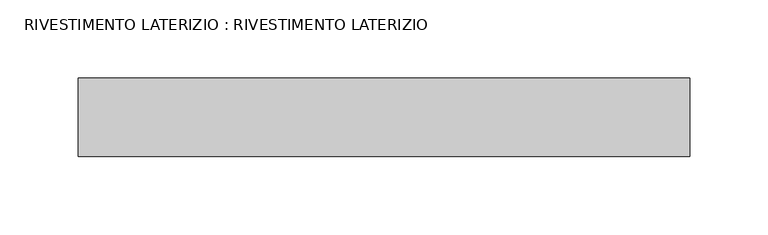
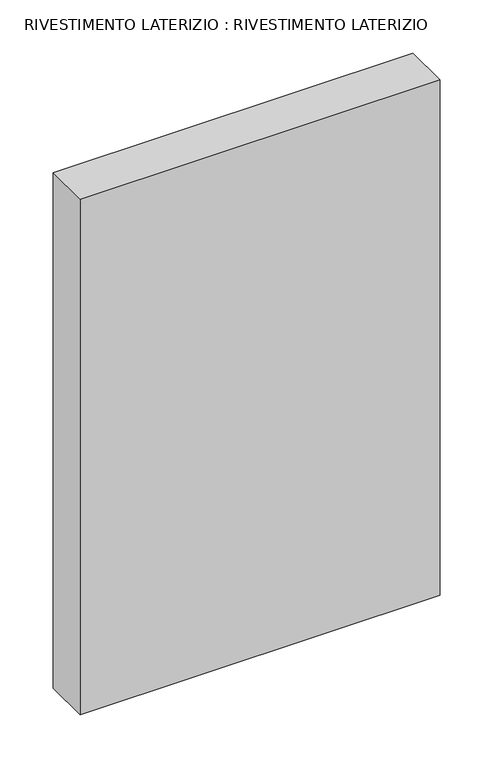
"""IFC4 building model written with IfcOpenShell, lengths in millimetres: plate geometry, RIVESTIMENTO LATERIZIO : RIVESTIMENTO LATERIZIO."""

from ifc_helpers import new_model, si_unit, frame, origin, place, context, project, spatial, polyline, outline, extrude, source, transform, mapped, element, save


def rivestimento_laterizio_rivestimento_laterizio_6994df9b(model_context):
    return source(origin(), model_context, "Body", "SweptSolid", [
        extrude(outline(polyline([(-194.7831559, 0.1121729), (195.0, 0.1121729), (195.0, -49.8878271), (-194.7831559, -49.8878271), (-194.7831559, 0.1121729)])), frame((0.0, 0.0, 5.0), z_axis=(0.0, 0.0, 1.0), x_axis=(1.0, 0.0, 0.0)), (0.0, 0.0, 1.0), 590.0),
    ])


if __name__ == "__main__":
    model = new_model("IFC4")
    model_context = context("Model", 3, world=origin())
    ifc_project = project(units=[si_unit("LENGTHUNIT", "METRE", prefix="MILLI")], contexts=[model_context])
    site = spatial("IfcSite", under=ifc_project)
    building = spatial("IfcBuilding", under=site)
    placement = place(None, origin())
    rivestimento_laterizio_rivestimento_laterizio_shape = rivestimento_laterizio_rivestimento_laterizio_6994df9b(model_context)
    element("IfcPlate", 1, ObjectType="RIVESTIMENTO LATERIZIO : RIVESTIMENTO LATERIZIO", at=placement, inside=building, context=model_context, shape_type="MappedRepresentation", body=[
        mapped(rivestimento_laterizio_rivestimento_laterizio_shape, transform((0.0, 0.0, 0.0), x_axis=(1.0, 0.0, 0.0), y_axis=(0.0, 1.0, 0.0), z_axis=(0.0, 0.0, 1.0))),
    ])
    save(model, "model.ifc")
